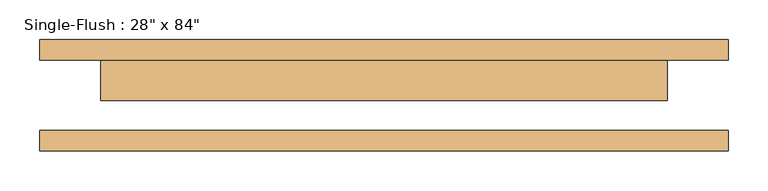
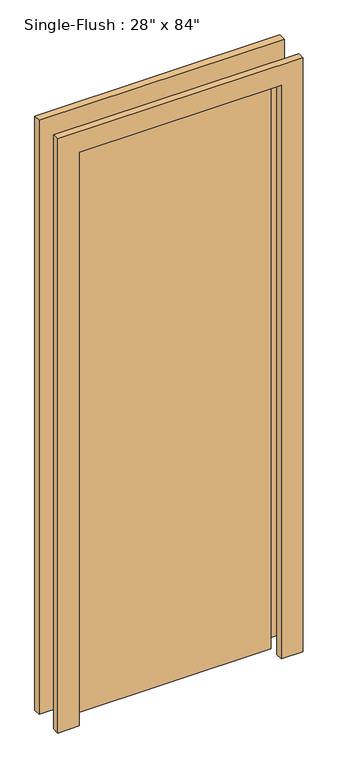
"""IFC4 building model written with IfcOpenShell, lengths in millimetres: door geometry."""

from ifc_helpers import new_model, si_unit, frame, origin, origin_with_axes, place, context, project, spatial, polyline, outline, extrude, source, transform, mapped, element, save


def door_44e24d65(model_context):
    return source(origin(), model_context, "Body", "SweptSolid", [
        extrude(outline(polyline([(2209.8, -431.8), (0.0, -431.8), (0.0, -355.6), (2133.6, -355.6), (2133.6, 355.6), (0.0, 355.6), (0.0, 431.8), (2209.8, 431.8), (2209.8, -431.8)])), frame((0.0, 44.45, 0.0), z_axis=(0.0, 1.0, 0.0), x_axis=(0.0, 0.0, 1.0)), (0.0, 0.0, 1.0), 25.4),
        extrude(outline(polyline([(2209.8, 431.8), (2209.8, -431.8), (0.0, -431.8), (0.0, -355.6), (2133.6, -355.6), (2133.6, 355.6), (0.0, 355.6), (0.0, 431.8), (2209.8, 431.8)])), frame((0.0, -69.85, 0.0), z_axis=(0.0, 1.0, 0.0), x_axis=(0.0, 0.0, 1.0)), (0.0, 0.0, 1.0), 25.4),
        extrude(outline(polyline([(355.6, -6.35), (-355.6, -6.35), (-355.6, 44.45), (355.6, 44.45), (355.6, -6.35)])), origin_with_axes(), (0.0, 0.0, 1.0), 2133.6),
    ])


if __name__ == "__main__":
    model = new_model("IFC4")
    model_context = context("Model", 3, world=origin())
    ifc_project = project(units=[si_unit("LENGTHUNIT", "METRE", prefix="MILLI")], contexts=[model_context])
    site = spatial("IfcSite", under=ifc_project)
    building = spatial("IfcBuilding", under=site)
    placement = place(None, origin())
    door_shape = door_44e24d65(model_context)
    element("IfcDoor", 1, ObjectType="Single-Flush : 28\" x 84\"", at=placement, inside=building, context=model_context, shape_type="MappedRepresentation", body=[
        mapped(door_shape, transform((0.0, 0.0, 0.0), x_axis=(1.0, 0.0, 0.0), y_axis=(0.0, 1.0, 0.0), z_axis=(0.0, 0.0, 1.0))),
    ])
    save(model, "model.ifc")
